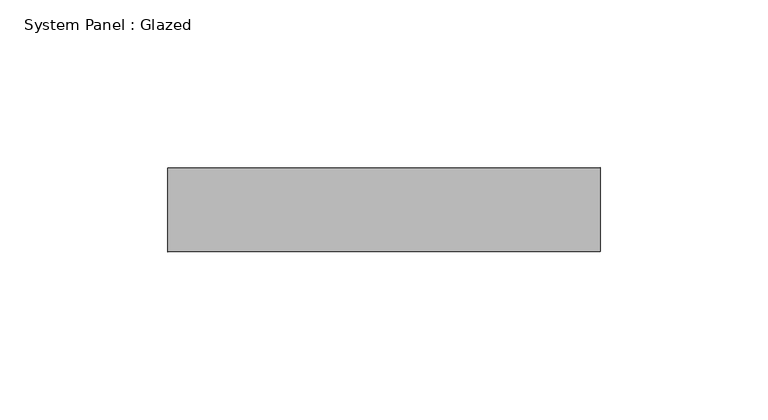
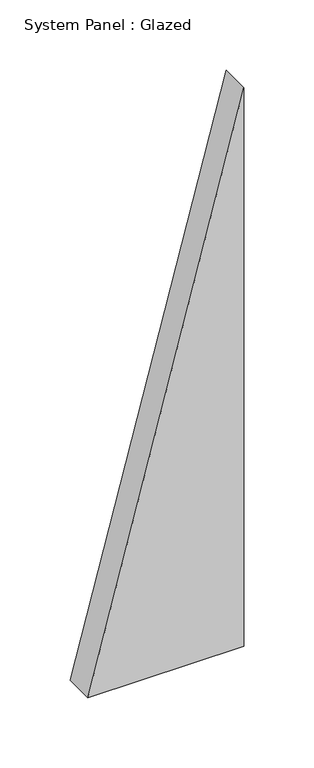
"""IFC4 building model written with IfcOpenShell, lengths in millimetres: plate geometry, System Panel : Glazed."""

from ifc_helpers import new_model, si_unit, frame, origin, place, context, project, spatial, polyline, outline, extrude, source, transform, mapped, element, save


def system_panel_glazed_bbd7d2f5(model_context):
    return source(origin(), model_context, "Body", "SweptSolid", [
        extrude(outline(polyline([(0.0, -64.2857144), (0.0, 64.2857144), (486.4864876, 64.2857144), (0.0, -64.2857144)])), frame((0.0, 24.5, 0.0), z_axis=(0.0, 1.0, 0.0), x_axis=(0.0, 0.0, 1.0)), (0.0, 0.0, 1.0), 25.0),
    ])


if __name__ == "__main__":
    model = new_model("IFC4")
    model_context = context("Model", 3, world=origin())
    ifc_project = project(units=[si_unit("LENGTHUNIT", "METRE", prefix="MILLI")], contexts=[model_context])
    site = spatial("IfcSite", under=ifc_project)
    building = spatial("IfcBuilding", under=site)
    placement = place(None, origin())
    system_panel_glazed_shape = system_panel_glazed_bbd7d2f5(model_context)
    element("IfcPlate", 1, ObjectType="System Panel : Glazed", at=placement, inside=building, context=model_context, shape_type="MappedRepresentation", body=[
        mapped(system_panel_glazed_shape, transform((0.0, 0.0, 0.0), x_axis=(1.0, 0.0, 0.0), y_axis=(0.0, 1.0, 0.0), z_axis=(0.0, 0.0, 1.0))),
    ])
    save(model, "model.ifc")
